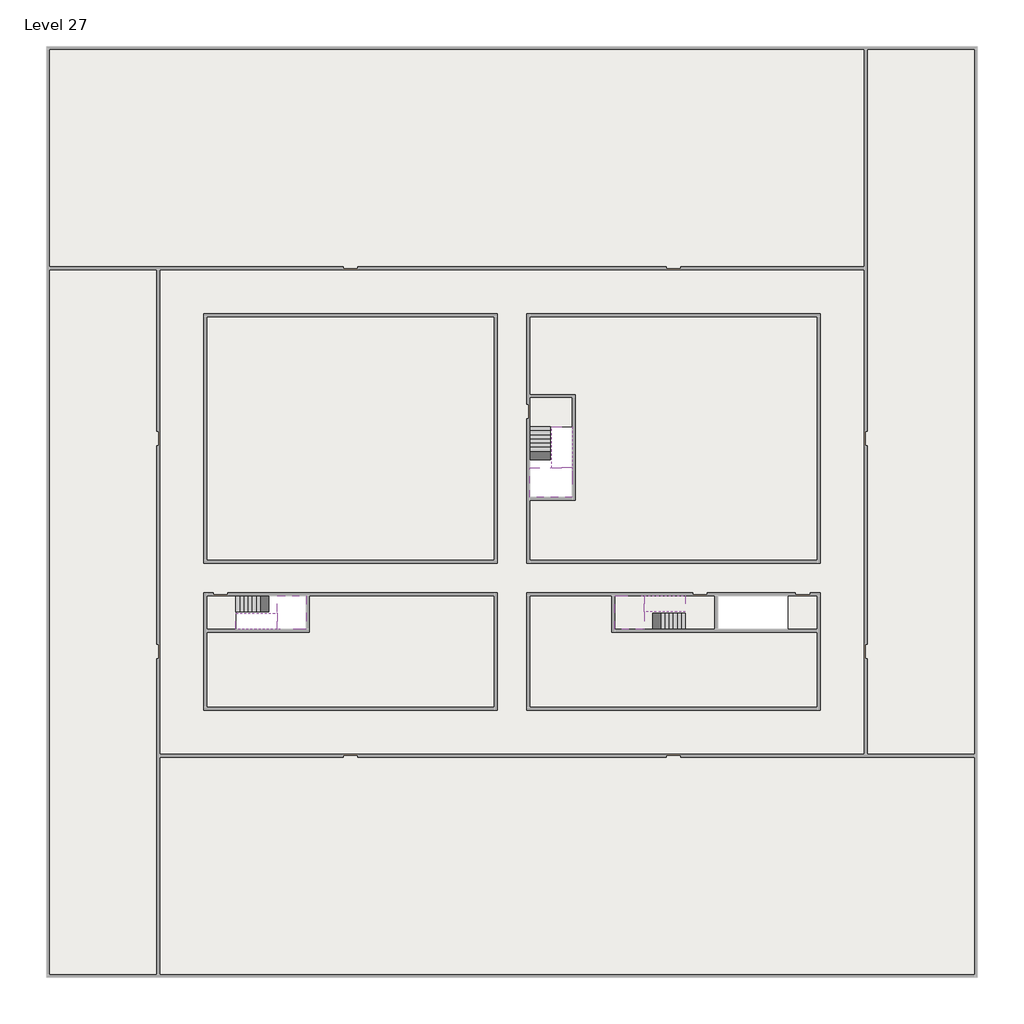
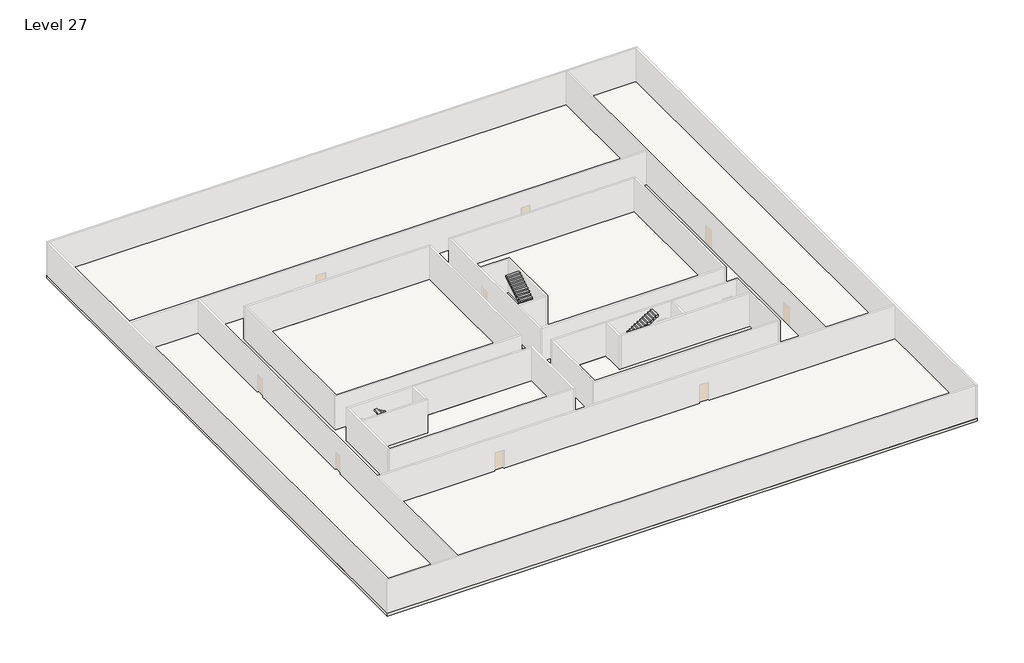
# One storey, part 2 of 2: 6 slabs, 6 stair flights.
"""IFC4 building model written with IfcOpenShell, lengths in millimetres."""

from ifc_helpers import new_model, si_unit, frame, origin, place, context, project, spatial, polyline, outline, extrude, faceted_brep, element, save

model = new_model("IFC4")

# Units and contexts
model_context = context("Model", 3, world=origin())
ifc_project = project(units=[si_unit("LENGTHUNIT", "METRE", prefix="MILLI")], contexts=[model_context])

# Site, building, storey
site = spatial("IfcSite", under=ifc_project)
building = spatial("IfcBuilding", under=site)
storey = spatial("IfcBuildingStorey", under=building, Name="Level 27", Elevation=98800.0)

# Slabs
placement = place(None, origin())
element("IfcSlab", 1, at=placement, inside=storey, context=model_context, shape_type="Brep", body=[
    faceted_brep([(8190.1058784, -42918.09644, 100700.0), (8190.1058784, -44018.09644, 100700.0), (8190.1058784, -44118.09644, 100700.0), (8190.1058784, -45218.09644, 100700.0), (8390.7194421, -45218.09644, 100700.0), (10190.1058784, -45218.09644, 100700.0), (10190.1058784, -42918.09644, 100700.0), (8269.4923146, -42918.09644, 100700.0), (8190.1058784, -42918.09644, 100527.2727273), (8190.1058784, -42918.09644, 100351.0278478), (8190.1058784, -44018.09644, 100351.0278478), (8190.1058784, -44018.09644, 100400.0), (8190.1058784, -44118.09644, 100400.0), (8190.1058784, -44118.09644, 100523.7551205), (8190.1058784, -45218.09644, 100523.7551205), (8390.7194421, -45218.09644, 100400.0), (10190.1058784, -45218.09644, 100400.0), (10190.1058784, -42918.09644, 100400.0), (8269.4923146, -42918.09644, 100400.0), (8390.7194421, -44118.09644, 100400.0), (8269.4923146, -44018.09644, 100400.0)], [[[0, 1, 2, 3, 4, 5, 6, 7]], [[1, 0, 8, 9, 10, 11]], [[2, 1, 11, 12, 13]], [[3, 2, 13, 14]], [[3, 14, 15, 16, 5, 4]], [[6, 5, 16, 17]], [[9, 8, 0, 7, 6, 17, 18]], [[19, 12, 11, 20, 18, 17, 16, 15]], [[12, 19, 13]], [[18, 20, 10, 9]], [[20, 11, 10]], [[19, 15, 14, 13]]]),
])
element("IfcSlab", 2, at=placement, inside=storey, context=model_context, shape_type="Brep", body=[
    faceted_brep([(33190.1058784, -45218.09644, 100700.0), (33190.1058784, -44118.09644, 100700.0), (33190.1058784, -44018.09644, 100700.0), (33190.1058784, -42918.09644, 100700.0), (32989.4923146, -42918.09644, 100700.0), (31190.1058784, -42918.09644, 100700.0), (31190.1058784, -45218.09644, 100700.0), (33110.7194421, -45218.09644, 100700.0), (33190.1058784, -45218.09644, 100527.2727273), (33190.1058784, -45218.09644, 100351.0278478), (33190.1058784, -44118.09644, 100351.0278478), (33190.1058784, -44118.09644, 100400.0), (33190.1058784, -44018.09644, 100400.0), (33190.1058784, -44018.09644, 100523.7551205), (33190.1058784, -42918.09644, 100523.7551205), (32989.4923146, -42918.09644, 100400.0), (31190.1058784, -42918.09644, 100400.0), (31190.1058784, -45218.09644, 100400.0), (33110.7194421, -45218.09644, 100400.0), (32989.4923146, -44018.09644, 100400.0), (33110.7194421, -44118.09644, 100400.0)], [[[0, 1, 2, 3, 4, 5, 6, 7]], [[1, 0, 8, 9, 10, 11]], [[2, 1, 11, 12, 13]], [[3, 2, 13, 14]], [[3, 14, 15, 16, 5, 4]], [[6, 5, 16, 17]], [[9, 8, 0, 7, 6, 17, 18]], [[19, 12, 11, 20, 18, 17, 16, 15]], [[12, 19, 13]], [[18, 20, 10, 9]], [[20, 11, 10]], [[19, 15, 14, 13]]]),
])
element("IfcSlab", 3, at=placement, inside=storey, context=model_context, shape_type="Brep", body=[
    faceted_brep([(26790.1058784, -34218.09644, 100700.0), (25390.1058784, -34218.09644, 100700.0), (25390.1058784, -34297.4828763, 100700.0), (25390.1058784, -36218.09644, 100700.0), (28290.1058784, -36218.09644, 100700.0), (28290.1058784, -34418.7100038, 100700.0), (28290.1058784, -34218.09644, 100700.0), (26890.1058784, -34218.09644, 100700.0), (26790.1058784, -34218.09644, 100400.0), (26790.1058784, -34218.09644, 100351.0278478), (25390.1058784, -34218.09644, 100351.0278478), (25390.1058784, -34218.09644, 100527.2727273), (25390.1058784, -34297.4828763, 100400.0), (25390.1058784, -36218.09644, 100400.0), (28290.1058784, -36218.09644, 100400.0), (28290.1058784, -34418.7100038, 100400.0), (28290.1058784, -34218.09644, 100523.7551205), (26890.1058784, -34218.09644, 100523.7551205), (26890.1058784, -34218.09644, 100400.0), (26890.1058784, -34418.7100038, 100400.0), (26790.1058784, -34297.4828763, 100400.0)], [[[0, 1, 2, 3, 4, 5, 6, 7]], [[1, 0, 8, 9, 10, 11]], [[1, 11, 10, 12, 13, 3, 2]], [[4, 3, 13, 14]], [[4, 14, 15, 16, 6, 5]], [[7, 6, 16, 17]], [[0, 7, 17, 18, 8]], [[18, 19, 15, 14, 13, 12, 20, 8]], [[19, 18, 17]], [[20, 12, 10, 9]], [[8, 20, 9]], [[15, 19, 17, 16]]]),
])
element("IfcSlab", 4, at=placement, inside=storey, context=model_context, shape_type="SweptSolid", body=[
    extrude(outline(polyline([(55890.1058784, -5518.09644), (55890.1058784, -68918.09644), (-7509.8941216, -68918.09644), (-7509.8941216, -5518.09644), (55890.1058784, -5518.09644)]), holes=[polyline([(22990.1058784, -23918.09644), (3390.1058784, -23918.09644), (3390.1058784, -40518.09644), (22990.1058784, -40518.09644), (22990.1058784, -23918.09644)]), polyline([(44990.1058784, -23918.09644), (25390.1058784, -23918.09644), (25390.1058784, -40518.09644), (44990.1058784, -40518.09644), (44990.1058784, -23918.09644)]), polyline([(44990.1058784, -42918.09644), (25390.1058784, -42918.09644), (25390.1058784, -50518.09644), (44990.1058784, -50518.09644), (44990.1058784, -42918.09644)]), polyline([(22990.1058784, -42918.09644), (3390.1058784, -42918.09644), (3390.1058784, -50518.09644), (22990.1058784, -50518.09644), (22990.1058784, -42918.09644)])]), frame((0.0, 0.0, 98500.0), z_axis=(0.0, 0.0, 1.0), x_axis=(1.0, 0.0, 0.0)), (0.0, 0.0, 1.0), 300.0),
])
element("IfcSlab", 5, at=placement, inside=storey, context=model_context, shape_type="SweptSolid", body=[
    extrude(outline(polyline([(22990.1058784, -23918.09644), (22990.1058784, -40518.09644), (3390.1058784, -40518.09644), (3390.1058784, -23918.09644), (22990.1058784, -23918.09644)])), frame((0.0, 0.0, 98500.0), z_axis=(0.0, 0.0, 1.0), x_axis=(1.0, 0.0, 0.0)), (0.0, 0.0, 1.0), 300.0),
    extrude(outline(polyline([(44990.1058784, -23918.09644), (44990.1058784, -40518.09644), (25390.1058784, -40518.09644), (25390.1058784, -36418.09644), (28490.1058784, -36418.09644), (28490.1058784, -29218.09644), (25390.1058784, -29218.09644), (25390.1058784, -23918.09644), (44990.1058784, -23918.09644)])), frame((0.0, 0.0, 98500.0), z_axis=(0.0, 0.0, 1.0), x_axis=(1.0, 0.0, 0.0)), (0.0, 0.0, 1.0), 300.0),
    extrude(outline(polyline([(22990.1058784, -42918.09644), (22990.1058784, -50518.09644), (3390.1058784, -50518.09644), (3390.1058784, -45418.09644), (10390.1058784, -45418.09644), (10390.1058784, -42918.09644), (22990.1058784, -42918.09644)])), frame((0.0, 0.0, 98500.0), z_axis=(0.0, 0.0, 1.0), x_axis=(1.0, 0.0, 0.0)), (0.0, 0.0, 1.0), 300.0),
    extrude(outline(polyline([(30990.1058784, -42918.09644), (30990.1058784, -45418.09644), (44990.1058784, -45418.09644), (44990.1058784, -50518.09644), (25390.1058784, -50518.09644), (25390.1058784, -42918.09644), (30990.1058784, -42918.09644)])), frame((0.0, 0.0, 98500.0), z_axis=(0.0, 0.0, 1.0), x_axis=(1.0, 0.0, 0.0)), (0.0, 0.0, 1.0), 300.0),
])
element("IfcSlab", 6, at=placement, inside=storey, context=model_context, shape_type="SweptSolid", body=[
    extrude(outline(polyline([(44990.1058784, -42918.09644), (44990.1058784, -45218.09644), (42990.1058784, -45218.09644), (42990.1058784, -42918.09644), (44990.1058784, -42918.09644)])), frame((0.0, 0.0, 98500.0), z_axis=(0.0, 0.0, 1.0), x_axis=(1.0, 0.0, 0.0)), (0.0, 0.0, 1.0), 300.0),
    extrude(outline(polyline([(5390.1058784, -42918.09644), (5390.1058784, -45218.09644), (3390.1058784, -45218.09644), (3390.1058784, -42918.09644), (5390.1058784, -42918.09644)])), frame((0.0, 0.0, 98500.0), z_axis=(0.0, 0.0, 1.0), x_axis=(1.0, 0.0, 0.0)), (0.0, 0.0, 1.0), 300.0),
    extrude(outline(polyline([(28290.1058784, -29418.09644), (28290.1058784, -31418.09644), (25390.1058784, -31418.09644), (25390.1058784, -29418.09644), (28290.1058784, -29418.09644)])), frame((0.0, 0.0, 98500.0), z_axis=(0.0, 0.0, 1.0), x_axis=(1.0, 0.0, 0.0)), (0.0, 0.0, 1.0), 300.0),
    extrude(outline(polyline([(37990.1058784, -42918.09644), (37990.1058784, -45218.09644), (31190.1058784, -45218.09644), (31190.1058784, -42918.09644), (37990.1058784, -42918.09644)])), frame((0.0, 0.0, 98500.0), z_axis=(0.0, 0.0, 1.0), x_axis=(1.0, 0.0, 0.0)), (0.0, 0.0, 1.0), 300.0),
])

# Stair flights
element("IfcStairFlight", 7, at=placement, inside=storey, context=model_context, shape_type="Brep", body=[
    faceted_brep([(5670.1058784, -42918.09644, 98972.7272727), (5390.1058784, -42918.09644, 98972.7272727), (5390.1058784, -44018.09644, 98972.7272727), (5670.1058784, -44018.09644, 98972.7272727), (5670.1058784, -42918.09644, 98800.0), (5390.1058784, -42918.09644, 98800.0), (5390.1058784, -44018.09644, 98800.0), (5670.1058784, -44018.09644, 98800.0), (5950.1058784, -42918.09644, 99145.4545455), (5670.1058784, -42918.09644, 99145.4545455), (5670.1058784, -44018.09644, 99145.4545455), (5950.1058784, -44018.09644, 99145.4545455), (5950.1058784, -42918.09644, 98969.209666), (5675.8081041, -42918.09644, 98800.0), (5675.8081041, -44018.09644, 98800.0), (5950.1058784, -44018.09644, 98969.209666), (6230.1058784, -42918.09644, 99318.1818182), (5950.1058784, -42918.09644, 99318.1818182), (5950.1058784, -44018.09644, 99318.1818182), (6230.1058784, -44018.09644, 99318.1818182), (6230.1058784, -42918.09644, 99141.9369387), (6230.1058784, -44018.09644, 99141.9369387), (6510.1058784, -42918.09644, 99490.9090909), (6230.1058784, -42918.09644, 99490.9090909), (6230.1058784, -44018.09644, 99490.9090909), (6510.1058784, -44018.09644, 99490.9090909), (6510.1058784, -42918.09644, 99314.6642114), (6510.1058784, -44018.09644, 99314.6642114), (6790.1058784, -42918.09644, 99663.6363636), (6510.1058784, -42918.09644, 99663.6363636), (6510.1058784, -44018.09644, 99663.6363636), (6790.1058784, -44018.09644, 99663.6363636), (6790.1058784, -42918.09644, 99487.3914841), (6790.1058784, -44018.09644, 99487.3914841), (7070.1058784, -42918.09644, 99836.3636364), (6790.1058784, -42918.09644, 99836.3636364), (6790.1058784, -44018.09644, 99836.3636364), (7070.1058784, -44018.09644, 99836.3636364), (7070.1058784, -42918.09644, 99660.1187569), (7070.1058784, -44018.09644, 99660.1187569), (7350.1058784, -42918.09644, 100009.0909091), (7070.1058784, -42918.09644, 100009.0909091), (7070.1058784, -44018.09644, 100009.0909091), (7350.1058784, -44018.09644, 100009.0909091), (7350.1058784, -42918.09644, 99832.8460296), (7350.1058784, -44018.09644, 99832.8460296), (7630.1058784, -42918.09644, 100181.8181818), (7350.1058784, -42918.09644, 100181.8181818), (7350.1058784, -44018.09644, 100181.8181818), (7630.1058784, -44018.09644, 100181.8181818), (7630.1058784, -42918.09644, 100005.5733023), (7630.1058784, -44018.09644, 100005.5733023), (7910.1058784, -42918.09644, 100354.5454545), (7630.1058784, -42918.09644, 100354.5454545), (7630.1058784, -44018.09644, 100354.5454545), (7910.1058784, -44018.09644, 100354.5454545), (7910.1058784, -42918.09644, 100178.3005751), (7910.1058784, -44018.09644, 100178.3005751), (8190.1058784, -42918.09644, 100527.2727273), (7910.1058784, -42918.09644, 100527.2727273), (7910.1058784, -44018.09644, 100527.2727273), (8190.1058784, -44018.09644, 100527.2727273), (8190.1058784, -42918.09644, 100351.0278478), (8190.1058784, -44018.09644, 100351.0278478), (8190.1058784, -44018.09644, 100400.0)], [[[0, 1, 2, 3]], [[1, 0, 4, 5]], [[2, 1, 5, 6]], [[3, 2, 6, 7]], [[8, 9, 10, 11]], [[4, 0, 9, 8, 12, 13]], [[0, 3, 10, 9]], [[3, 7, 14, 15, 11, 10]], [[16, 17, 18, 19]], [[17, 16, 20, 12, 8]], [[8, 11, 18, 17]], [[19, 18, 11, 15, 21]], [[22, 23, 24, 25]], [[23, 22, 26, 20, 16]], [[16, 19, 24, 23]], [[25, 24, 19, 21, 27]], [[28, 29, 30, 31]], [[29, 28, 32, 26, 22]], [[22, 25, 30, 29]], [[31, 30, 25, 27, 33]], [[34, 35, 36, 37]], [[35, 34, 38, 32, 28]], [[28, 31, 36, 35]], [[37, 36, 31, 33, 39]], [[40, 41, 42, 43]], [[41, 40, 44, 38, 34]], [[34, 37, 42, 41]], [[43, 42, 37, 39, 45]], [[46, 47, 48, 49]], [[47, 46, 50, 44, 40]], [[40, 43, 48, 47]], [[49, 48, 43, 45, 51]], [[52, 53, 54, 55]], [[53, 52, 56, 50, 46]], [[46, 49, 54, 53]], [[55, 54, 49, 51, 57]], [[58, 59, 60, 61]], [[59, 58, 62, 56, 52]], [[52, 55, 60, 59]], [[61, 60, 55, 57, 63, 64]], [[58, 61, 64, 63, 62]], [[5, 4, 13, 14, 7, 6]], [[14, 13, 12, 20, 26, 32, 38, 44, 50, 56, 62, 63, 57, 51, 45, 39, 33, 27, 21, 15]]]),
])
element("IfcStairFlight", 8, at=placement, inside=storey, context=model_context, shape_type="Brep", body=[
    faceted_brep([(7910.1058784, -45218.09644, 100872.7272727), (8190.1058784, -45218.09644, 100872.7272727), (8190.1058784, -44118.09644, 100872.7272727), (7910.1058784, -44118.09644, 100872.7272727), (7910.1058784, -45218.09644, 100696.4823932), (8190.1058784, -45218.09644, 100523.7551205), (8190.1058784, -45218.09644, 100700.0), (8190.1058784, -44118.09644, 100523.7551205), (7910.1058784, -44118.09644, 100696.4823932), (7630.1058784, -45218.09644, 101045.4545455), (7910.1058784, -45218.09644, 101045.4545455), (7910.1058784, -44118.09644, 101045.4545455), (7630.1058784, -44118.09644, 101045.4545455), (7630.1058784, -45218.09644, 100869.209666), (7630.1058784, -44118.09644, 100869.209666), (7350.1058784, -45218.09644, 101218.1818182), (7630.1058784, -45218.09644, 101218.1818182), (7630.1058784, -44118.09644, 101218.1818182), (7350.1058784, -44118.09644, 101218.1818182), (7350.1058784, -45218.09644, 101041.9369387), (7350.1058784, -44118.09644, 101041.9369387), (7070.1058784, -45218.09644, 101390.9090909), (7350.1058784, -45218.09644, 101390.9090909), (7350.1058784, -44118.09644, 101390.9090909), (7070.1058784, -44118.09644, 101390.9090909), (7070.1058784, -45218.09644, 101214.6642114), (7070.1058784, -44118.09644, 101214.6642114), (6790.1058784, -45218.09644, 101563.6363636), (7070.1058784, -45218.09644, 101563.6363636), (7070.1058784, -44118.09644, 101563.6363636), (6790.1058784, -44118.09644, 101563.6363636), (6790.1058784, -45218.09644, 101387.3914841), (6790.1058784, -44118.09644, 101387.3914841), (6510.1058784, -45218.09644, 101736.3636364), (6790.1058784, -45218.09644, 101736.3636364), (6790.1058784, -44118.09644, 101736.3636364), (6510.1058784, -44118.09644, 101736.3636364), (6510.1058784, -45218.09644, 101560.1187569), (6510.1058784, -44118.09644, 101560.1187569), (6230.1058784, -45218.09644, 101909.0909091), (6510.1058784, -45218.09644, 101909.0909091), (6510.1058784, -44118.09644, 101909.0909091), (6230.1058784, -44118.09644, 101909.0909091), (6230.1058784, -45218.09644, 101732.8460296), (6230.1058784, -44118.09644, 101732.8460296), (5950.1058784, -45218.09644, 102081.8181818), (6230.1058784, -45218.09644, 102081.8181818), (6230.1058784, -44118.09644, 102081.8181818), (5950.1058784, -44118.09644, 102081.8181818), (5950.1058784, -45218.09644, 101905.5733023), (5950.1058784, -44118.09644, 101905.5733023), (5670.1058784, -45218.09644, 102254.5454545), (5950.1058784, -45218.09644, 102254.5454545), (5950.1058784, -44118.09644, 102254.5454545), (5670.1058784, -44118.09644, 102254.5454545), (5670.1058784, -45218.09644, 102078.3005751), (5670.1058784, -44118.09644, 102078.3005751), (5390.1058784, -45218.09644, 102427.2727273), (5670.1058784, -45218.09644, 102427.2727273), (5670.1058784, -44118.09644, 102427.2727273), (5390.1058784, -44118.09644, 102427.2727273), (5390.1058784, -45218.09644, 102251.0278478), (5390.1058784, -44118.09644, 102251.0278478)], [[[0, 1, 2, 3]], [[1, 0, 4, 5, 6]], [[2, 1, 6, 5, 7]], [[3, 2, 7, 8]], [[9, 10, 11, 12]], [[10, 9, 13, 4, 0]], [[11, 10, 0, 3]], [[12, 11, 3, 8, 14]], [[15, 16, 17, 18]], [[16, 15, 19, 13, 9]], [[17, 16, 9, 12]], [[18, 17, 12, 14, 20]], [[21, 22, 23, 24]], [[22, 21, 25, 19, 15]], [[23, 22, 15, 18]], [[24, 23, 18, 20, 26]], [[27, 28, 29, 30]], [[28, 27, 31, 25, 21]], [[29, 28, 21, 24]], [[30, 29, 24, 26, 32]], [[33, 34, 35, 36]], [[34, 33, 37, 31, 27]], [[35, 34, 27, 30]], [[36, 35, 30, 32, 38]], [[39, 40, 41, 42]], [[40, 39, 43, 37, 33]], [[41, 40, 33, 36]], [[42, 41, 36, 38, 44]], [[45, 46, 47, 48]], [[46, 45, 49, 43, 39]], [[47, 46, 39, 42]], [[48, 47, 42, 44, 50]], [[51, 52, 53, 54]], [[52, 51, 55, 49, 45]], [[53, 52, 45, 48]], [[54, 53, 48, 50, 56]], [[57, 58, 59, 60]], [[58, 57, 61, 55, 51]], [[59, 58, 51, 54]], [[60, 59, 54, 56, 62]], [[57, 60, 62, 61]], [[5, 4, 13, 19, 25, 31, 37, 43, 49, 55, 61, 62, 56, 50, 44, 38, 32, 26, 20, 14, 8, 7]]]),
])
element("IfcStairFlight", 9, at=placement, inside=storey, context=model_context, shape_type="Brep", body=[
    faceted_brep([(35710.1058784, -45218.09644, 98972.7272727), (35990.1058784, -45218.09644, 98972.7272727), (35990.1058784, -44118.09644, 98972.7272727), (35710.1058784, -44118.09644, 98972.7272727), (35710.1058784, -45218.09644, 98800.0), (35990.1058784, -45218.09644, 98800.0), (35990.1058784, -44118.09644, 98800.0), (35710.1058784, -44118.09644, 98800.0), (35430.1058784, -45218.09644, 99145.4545455), (35710.1058784, -45218.09644, 99145.4545455), (35710.1058784, -44118.09644, 99145.4545455), (35430.1058784, -44118.09644, 99145.4545455), (35430.1058784, -45218.09644, 98969.209666), (35704.4036527, -45218.09644, 98800.0), (35704.4036527, -44118.09644, 98800.0), (35430.1058784, -44118.09644, 98969.209666), (35150.1058784, -45218.09644, 99318.1818182), (35430.1058784, -45218.09644, 99318.1818182), (35430.1058784, -44118.09644, 99318.1818182), (35150.1058784, -44118.09644, 99318.1818182), (35150.1058784, -45218.09644, 99141.9369387), (35150.1058784, -44118.09644, 99141.9369387), (34870.1058784, -45218.09644, 99490.9090909), (35150.1058784, -45218.09644, 99490.9090909), (35150.1058784, -44118.09644, 99490.9090909), (34870.1058784, -44118.09644, 99490.9090909), (34870.1058784, -45218.09644, 99314.6642114), (34870.1058784, -44118.09644, 99314.6642114), (34590.1058784, -45218.09644, 99663.6363636), (34870.1058784, -45218.09644, 99663.6363636), (34870.1058784, -44118.09644, 99663.6363636), (34590.1058784, -44118.09644, 99663.6363636), (34590.1058784, -45218.09644, 99487.3914841), (34590.1058784, -44118.09644, 99487.3914841), (34310.1058784, -45218.09644, 99836.3636364), (34590.1058784, -45218.09644, 99836.3636364), (34590.1058784, -44118.09644, 99836.3636364), (34310.1058784, -44118.09644, 99836.3636364), (34310.1058784, -45218.09644, 99660.1187569), (34310.1058784, -44118.09644, 99660.1187569), (34030.1058784, -45218.09644, 100009.0909091), (34310.1058784, -45218.09644, 100009.0909091), (34310.1058784, -44118.09644, 100009.0909091), (34030.1058784, -44118.09644, 100009.0909091), (34030.1058784, -45218.09644, 99832.8460296), (34030.1058784, -44118.09644, 99832.8460296), (33750.1058784, -45218.09644, 100181.8181818), (34030.1058784, -45218.09644, 100181.8181818), (34030.1058784, -44118.09644, 100181.8181818), (33750.1058784, -44118.09644, 100181.8181818), (33750.1058784, -45218.09644, 100005.5733023), (33750.1058784, -44118.09644, 100005.5733023), (33470.1058784, -45218.09644, 100354.5454545), (33750.1058784, -45218.09644, 100354.5454545), (33750.1058784, -44118.09644, 100354.5454545), (33470.1058784, -44118.09644, 100354.5454545), (33470.1058784, -45218.09644, 100178.3005751), (33470.1058784, -44118.09644, 100178.3005751), (33190.1058784, -45218.09644, 100527.2727273), (33470.1058784, -45218.09644, 100527.2727273), (33470.1058784, -44118.09644, 100527.2727273), (33190.1058784, -44118.09644, 100527.2727273), (33190.1058784, -45218.09644, 100351.0278478), (33190.1058784, -44118.09644, 100351.0278478), (33190.1058784, -44118.09644, 100400.0)], [[[0, 1, 2, 3]], [[1, 0, 4, 5]], [[2, 1, 5, 6]], [[3, 2, 6, 7]], [[8, 9, 10, 11]], [[4, 0, 9, 8, 12, 13]], [[0, 3, 10, 9]], [[3, 7, 14, 15, 11, 10]], [[16, 17, 18, 19]], [[17, 16, 20, 12, 8]], [[8, 11, 18, 17]], [[19, 18, 11, 15, 21]], [[22, 23, 24, 25]], [[23, 22, 26, 20, 16]], [[16, 19, 24, 23]], [[25, 24, 19, 21, 27]], [[28, 29, 30, 31]], [[29, 28, 32, 26, 22]], [[22, 25, 30, 29]], [[31, 30, 25, 27, 33]], [[34, 35, 36, 37]], [[35, 34, 38, 32, 28]], [[28, 31, 36, 35]], [[37, 36, 31, 33, 39]], [[40, 41, 42, 43]], [[41, 40, 44, 38, 34]], [[34, 37, 42, 41]], [[43, 42, 37, 39, 45]], [[46, 47, 48, 49]], [[47, 46, 50, 44, 40]], [[40, 43, 48, 47]], [[49, 48, 43, 45, 51]], [[52, 53, 54, 55]], [[53, 52, 56, 50, 46]], [[46, 49, 54, 53]], [[55, 54, 49, 51, 57]], [[58, 59, 60, 61]], [[59, 58, 62, 56, 52]], [[52, 55, 60, 59]], [[61, 60, 55, 57, 63, 64]], [[58, 61, 64, 63, 62]], [[5, 4, 13, 14, 7, 6]], [[14, 13, 12, 20, 26, 32, 38, 44, 50, 56, 62, 63, 57, 51, 45, 39, 33, 27, 21, 15]]]),
])
element("IfcStairFlight", 10, at=placement, inside=storey, context=model_context, shape_type="Brep", body=[
    faceted_brep([(33470.1058784, -42918.09644, 100872.7272727), (33190.1058784, -42918.09644, 100872.7272727), (33190.1058784, -44018.09644, 100872.7272727), (33470.1058784, -44018.09644, 100872.7272727), (33470.1058784, -42918.09644, 100696.4823932), (33190.1058784, -42918.09644, 100523.7551205), (33190.1058784, -42918.09644, 100700.0), (33190.1058784, -44018.09644, 100523.7551205), (33470.1058784, -44018.09644, 100696.4823932), (33750.1058784, -42918.09644, 101045.4545455), (33470.1058784, -42918.09644, 101045.4545455), (33470.1058784, -44018.09644, 101045.4545455), (33750.1058784, -44018.09644, 101045.4545455), (33750.1058784, -42918.09644, 100869.209666), (33750.1058784, -44018.09644, 100869.209666), (34030.1058784, -42918.09644, 101218.1818182), (33750.1058784, -42918.09644, 101218.1818182), (33750.1058784, -44018.09644, 101218.1818182), (34030.1058784, -44018.09644, 101218.1818182), (34030.1058784, -42918.09644, 101041.9369387), (34030.1058784, -44018.09644, 101041.9369387), (34310.1058784, -42918.09644, 101390.9090909), (34030.1058784, -42918.09644, 101390.9090909), (34030.1058784, -44018.09644, 101390.9090909), (34310.1058784, -44018.09644, 101390.9090909), (34310.1058784, -42918.09644, 101214.6642114), (34310.1058784, -44018.09644, 101214.6642114), (34590.1058784, -42918.09644, 101563.6363636), (34310.1058784, -42918.09644, 101563.6363636), (34310.1058784, -44018.09644, 101563.6363636), (34590.1058784, -44018.09644, 101563.6363636), (34590.1058784, -42918.09644, 101387.3914841), (34590.1058784, -44018.09644, 101387.3914841), (34870.1058784, -42918.09644, 101736.3636364), (34590.1058784, -42918.09644, 101736.3636364), (34590.1058784, -44018.09644, 101736.3636364), (34870.1058784, -44018.09644, 101736.3636364), (34870.1058784, -42918.09644, 101560.1187569), (34870.1058784, -44018.09644, 101560.1187569), (35150.1058784, -42918.09644, 101909.0909091), (34870.1058784, -42918.09644, 101909.0909091), (34870.1058784, -44018.09644, 101909.0909091), (35150.1058784, -44018.09644, 101909.0909091), (35150.1058784, -42918.09644, 101732.8460296), (35150.1058784, -44018.09644, 101732.8460296), (35430.1058784, -42918.09644, 102081.8181818), (35150.1058784, -42918.09644, 102081.8181818), (35150.1058784, -44018.09644, 102081.8181818), (35430.1058784, -44018.09644, 102081.8181818), (35430.1058784, -42918.09644, 101905.5733023), (35430.1058784, -44018.09644, 101905.5733023), (35710.1058784, -42918.09644, 102254.5454545), (35430.1058784, -42918.09644, 102254.5454545), (35430.1058784, -44018.09644, 102254.5454545), (35710.1058784, -44018.09644, 102254.5454545), (35710.1058784, -42918.09644, 102078.3005751), (35710.1058784, -44018.09644, 102078.3005751), (35990.1058784, -42918.09644, 102427.2727273), (35710.1058784, -42918.09644, 102427.2727273), (35710.1058784, -44018.09644, 102427.2727273), (35990.1058784, -44018.09644, 102427.2727273), (35990.1058784, -42918.09644, 102251.0278478), (35990.1058784, -44018.09644, 102251.0278478)], [[[0, 1, 2, 3]], [[1, 0, 4, 5, 6]], [[2, 1, 6, 5, 7]], [[3, 2, 7, 8]], [[9, 10, 11, 12]], [[10, 9, 13, 4, 0]], [[11, 10, 0, 3]], [[12, 11, 3, 8, 14]], [[15, 16, 17, 18]], [[16, 15, 19, 13, 9]], [[17, 16, 9, 12]], [[18, 17, 12, 14, 20]], [[21, 22, 23, 24]], [[22, 21, 25, 19, 15]], [[23, 22, 15, 18]], [[24, 23, 18, 20, 26]], [[27, 28, 29, 30]], [[28, 27, 31, 25, 21]], [[29, 28, 21, 24]], [[30, 29, 24, 26, 32]], [[33, 34, 35, 36]], [[34, 33, 37, 31, 27]], [[35, 34, 27, 30]], [[36, 35, 30, 32, 38]], [[39, 40, 41, 42]], [[40, 39, 43, 37, 33]], [[41, 40, 33, 36]], [[42, 41, 36, 38, 44]], [[45, 46, 47, 48]], [[46, 45, 49, 43, 39]], [[47, 46, 39, 42]], [[48, 47, 42, 44, 50]], [[51, 52, 53, 54]], [[52, 51, 55, 49, 45]], [[53, 52, 45, 48]], [[54, 53, 48, 50, 56]], [[57, 58, 59, 60]], [[58, 57, 61, 55, 51]], [[59, 58, 51, 54]], [[60, 59, 54, 56, 62]], [[57, 60, 62, 61]], [[5, 4, 13, 19, 25, 31, 37, 43, 49, 55, 61, 62, 56, 50, 44, 38, 32, 26, 20, 14, 8, 7]]]),
])
element("IfcStairFlight", 11, at=placement, inside=storey, context=model_context, shape_type="Brep", body=[
    faceted_brep([(26790.1058784, -31698.09644, 98972.7272727), (26790.1058784, -31418.09644, 98972.7272727), (25390.1058784, -31418.09644, 98972.7272727), (25390.1058784, -31698.09644, 98972.7272727), (26790.1058784, -31698.09644, 98800.0), (26790.1058784, -31418.09644, 98800.0), (25390.1058784, -31418.09644, 98800.0), (25390.1058784, -31698.09644, 98800.0), (26790.1058784, -31978.09644, 99145.4545455), (26790.1058784, -31698.09644, 99145.4545455), (25390.1058784, -31698.09644, 99145.4545455), (25390.1058784, -31978.09644, 99145.4545455), (26790.1058784, -31978.09644, 98969.209666), (26790.1058784, -31703.7986657, 98800.0), (25390.1058784, -31703.7986657, 98800.0), (25390.1058784, -31978.09644, 98969.209666), (26790.1058784, -32258.09644, 99318.1818182), (26790.1058784, -31978.09644, 99318.1818182), (25390.1058784, -31978.09644, 99318.1818182), (25390.1058784, -32258.09644, 99318.1818182), (26790.1058784, -32258.09644, 99141.9369387), (25390.1058784, -32258.09644, 99141.9369387), (26790.1058784, -32538.09644, 99490.9090909), (26790.1058784, -32258.09644, 99490.9090909), (25390.1058784, -32258.09644, 99490.9090909), (25390.1058784, -32538.09644, 99490.9090909), (26790.1058784, -32538.09644, 99314.6642114), (25390.1058784, -32538.09644, 99314.6642114), (26790.1058784, -32818.09644, 99663.6363636), (26790.1058784, -32538.09644, 99663.6363636), (25390.1058784, -32538.09644, 99663.6363636), (25390.1058784, -32818.09644, 99663.6363636), (26790.1058784, -32818.09644, 99487.3914841), (25390.1058784, -32818.09644, 99487.3914841), (26790.1058784, -33098.09644, 99836.3636364), (26790.1058784, -32818.09644, 99836.3636364), (25390.1058784, -32818.09644, 99836.3636364), (25390.1058784, -33098.09644, 99836.3636364), (26790.1058784, -33098.09644, 99660.1187569), (25390.1058784, -33098.09644, 99660.1187569), (26790.1058784, -33378.09644, 100009.0909091), (26790.1058784, -33098.09644, 100009.0909091), (25390.1058784, -33098.09644, 100009.0909091), (25390.1058784, -33378.09644, 100009.0909091), (26790.1058784, -33378.09644, 99832.8460296), (25390.1058784, -33378.09644, 99832.8460296), (26790.1058784, -33658.09644, 100181.8181818), (26790.1058784, -33378.09644, 100181.8181818), (25390.1058784, -33378.09644, 100181.8181818), (25390.1058784, -33658.09644, 100181.8181818), (26790.1058784, -33658.09644, 100005.5733023), (25390.1058784, -33658.09644, 100005.5733023), (26790.1058784, -33938.09644, 100354.5454545), (26790.1058784, -33658.09644, 100354.5454545), (25390.1058784, -33658.09644, 100354.5454545), (25390.1058784, -33938.09644, 100354.5454545), (26790.1058784, -33938.09644, 100178.3005751), (25390.1058784, -33938.09644, 100178.3005751), (26790.1058784, -34218.09644, 100527.2727273), (26790.1058784, -33938.09644, 100527.2727273), (25390.1058784, -33938.09644, 100527.2727273), (25390.1058784, -34218.09644, 100527.2727273), (26790.1058784, -34218.09644, 100400.0), (26790.1058784, -34218.09644, 100351.0278478), (25390.1058784, -34218.09644, 100351.0278478)], [[[0, 1, 2, 3]], [[1, 0, 4, 5]], [[2, 1, 5, 6]], [[3, 2, 6, 7]], [[8, 9, 10, 11]], [[4, 0, 9, 8, 12, 13]], [[0, 3, 10, 9]], [[3, 7, 14, 15, 11, 10]], [[16, 17, 18, 19]], [[17, 16, 20, 12, 8]], [[8, 11, 18, 17]], [[19, 18, 11, 15, 21]], [[22, 23, 24, 25]], [[23, 22, 26, 20, 16]], [[16, 19, 24, 23]], [[25, 24, 19, 21, 27]], [[28, 29, 30, 31]], [[29, 28, 32, 26, 22]], [[22, 25, 30, 29]], [[31, 30, 25, 27, 33]], [[34, 35, 36, 37]], [[35, 34, 38, 32, 28]], [[28, 31, 36, 35]], [[37, 36, 31, 33, 39]], [[40, 41, 42, 43]], [[41, 40, 44, 38, 34]], [[34, 37, 42, 41]], [[43, 42, 37, 39, 45]], [[46, 47, 48, 49]], [[47, 46, 50, 44, 40]], [[40, 43, 48, 47]], [[49, 48, 43, 45, 51]], [[52, 53, 54, 55]], [[53, 52, 56, 50, 46]], [[46, 49, 54, 53]], [[55, 54, 49, 51, 57]], [[58, 59, 60, 61]], [[59, 58, 62, 63, 56, 52]], [[52, 55, 60, 59]], [[61, 60, 55, 57, 64]], [[58, 61, 64, 63, 62]], [[5, 4, 13, 14, 7, 6]], [[14, 13, 12, 20, 26, 32, 38, 44, 50, 56, 63, 64, 57, 51, 45, 39, 33, 27, 21, 15]]]),
])
element("IfcStairFlight", 12, at=placement, inside=storey, context=model_context, shape_type="Brep", body=[
    faceted_brep([(26890.1058784, -33938.09644, 100872.7272727), (26890.1058784, -34218.09644, 100872.7272727), (28290.1058784, -34218.09644, 100872.7272727), (28290.1058784, -33938.09644, 100872.7272727), (26890.1058784, -33938.09644, 100696.4823932), (26890.1058784, -34218.09644, 100523.7551205), (28290.1058784, -34218.09644, 100523.7551205), (28290.1058784, -34218.09644, 100700.0), (28290.1058784, -33938.09644, 100696.4823932), (26890.1058784, -33658.09644, 101045.4545455), (26890.1058784, -33938.09644, 101045.4545455), (28290.1058784, -33938.09644, 101045.4545455), (28290.1058784, -33658.09644, 101045.4545455), (26890.1058784, -33658.09644, 100869.209666), (28290.1058784, -33658.09644, 100869.209666), (26890.1058784, -33378.09644, 101218.1818182), (26890.1058784, -33658.09644, 101218.1818182), (28290.1058784, -33658.09644, 101218.1818182), (28290.1058784, -33378.09644, 101218.1818182), (26890.1058784, -33378.09644, 101041.9369387), (28290.1058784, -33378.09644, 101041.9369387), (26890.1058784, -33098.09644, 101390.9090909), (26890.1058784, -33378.09644, 101390.9090909), (28290.1058784, -33378.09644, 101390.9090909), (28290.1058784, -33098.09644, 101390.9090909), (26890.1058784, -33098.09644, 101214.6642114), (28290.1058784, -33098.09644, 101214.6642114), (26890.1058784, -32818.09644, 101563.6363636), (26890.1058784, -33098.09644, 101563.6363636), (28290.1058784, -33098.09644, 101563.6363636), (28290.1058784, -32818.09644, 101563.6363636), (26890.1058784, -32818.09644, 101387.3914841), (28290.1058784, -32818.09644, 101387.3914841), (26890.1058784, -32538.09644, 101736.3636364), (26890.1058784, -32818.09644, 101736.3636364), (28290.1058784, -32818.09644, 101736.3636364), (28290.1058784, -32538.09644, 101736.3636364), (26890.1058784, -32538.09644, 101560.1187569), (28290.1058784, -32538.09644, 101560.1187569), (26890.1058784, -32258.09644, 101909.0909091), (26890.1058784, -32538.09644, 101909.0909091), (28290.1058784, -32538.09644, 101909.0909091), (28290.1058784, -32258.09644, 101909.0909091), (26890.1058784, -32258.09644, 101732.8460296), (28290.1058784, -32258.09644, 101732.8460296), (26890.1058784, -31978.09644, 102081.8181818), (26890.1058784, -32258.09644, 102081.8181818), (28290.1058784, -32258.09644, 102081.8181818), (28290.1058784, -31978.09644, 102081.8181818), (26890.1058784, -31978.09644, 101905.5733023), (28290.1058784, -31978.09644, 101905.5733023), (26890.1058784, -31698.09644, 102254.5454545), (26890.1058784, -31978.09644, 102254.5454545), (28290.1058784, -31978.09644, 102254.5454545), (28290.1058784, -31698.09644, 102254.5454545), (26890.1058784, -31698.09644, 102078.3005751), (28290.1058784, -31698.09644, 102078.3005751), (26890.1058784, -31418.09644, 102427.2727273), (26890.1058784, -31698.09644, 102427.2727273), (28290.1058784, -31698.09644, 102427.2727273), (28290.1058784, -31418.09644, 102427.2727273), (26890.1058784, -31418.09644, 102251.0278478), (28290.1058784, -31418.09644, 102251.0278478)], [[[0, 1, 2, 3]], [[1, 0, 4, 5]], [[2, 1, 5, 6, 7]], [[3, 2, 7, 6, 8]], [[9, 10, 11, 12]], [[10, 9, 13, 4, 0]], [[11, 10, 0, 3]], [[12, 11, 3, 8, 14]], [[15, 16, 17, 18]], [[16, 15, 19, 13, 9]], [[17, 16, 9, 12]], [[18, 17, 12, 14, 20]], [[21, 22, 23, 24]], [[22, 21, 25, 19, 15]], [[23, 22, 15, 18]], [[24, 23, 18, 20, 26]], [[27, 28, 29, 30]], [[28, 27, 31, 25, 21]], [[29, 28, 21, 24]], [[30, 29, 24, 26, 32]], [[33, 34, 35, 36]], [[34, 33, 37, 31, 27]], [[35, 34, 27, 30]], [[36, 35, 30, 32, 38]], [[39, 40, 41, 42]], [[40, 39, 43, 37, 33]], [[41, 40, 33, 36]], [[42, 41, 36, 38, 44]], [[45, 46, 47, 48]], [[46, 45, 49, 43, 39]], [[47, 46, 39, 42]], [[48, 47, 42, 44, 50]], [[51, 52, 53, 54]], [[52, 51, 55, 49, 45]], [[53, 52, 45, 48]], [[54, 53, 48, 50, 56]], [[57, 58, 59, 60]], [[58, 57, 61, 55, 51]], [[59, 58, 51, 54]], [[60, 59, 54, 56, 62]], [[57, 60, 62, 61]], [[5, 4, 13, 19, 25, 31, 37, 43, 49, 55, 61, 62, 56, 50, 44, 38, 32, 26, 20, 14, 8, 6]]]),
])

save(model, "model.ifc")
